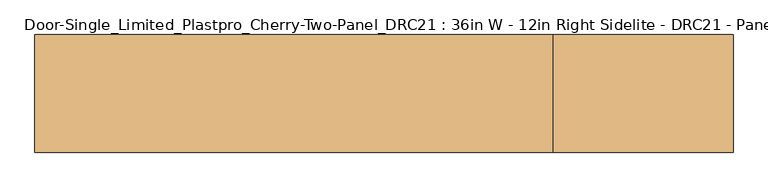
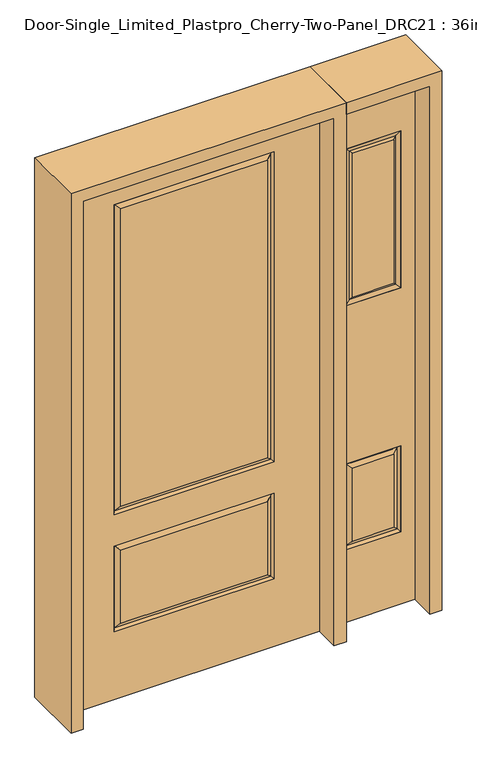
"""IFC4 building model written with IfcOpenShell, lengths in millimetres: door geometry, Door-Single_Limited_Plastpro_Cherry-Two-Panel_DRC21 : 36in W - 12in Right Sidelite - DRC21 - Panel - 80in."""

import ifcopenshell
import ifcopenshell.guid

model = None  # the IFC model being written
_history = None  # IfcOwnerHistory: only IFC2X3 demands one
_inside = {}  # id of a spatial element -> (the spatial element, [elements in it])
_under = {}  # id of a project, library or spatial element -> (it, [spatial elements below it])
_declared = {}  # id of a project -> (the project, [libraries it declares])
_typed = {}  # id of a type object -> (the type object, [elements of that type])
_made_of = {}  # id of a material, layer set ... -> (it, [elements and type objects made of it])


def new_model(schema):
    """Start an empty IFC model of exactly this schema.

    Asked for "IFC4X3", IfcOpenShell would pick the latest addendum, in which some entities
    have other attributes; the version numbers below select the first issue.
    IFC2X3 requires an IfcOwnerHistory on every rooted entity: one is made here for all.
    """
    global model, _history
    if schema == "IFC4X3":
        model = ifcopenshell.file(schema_version=(4, 3, 0, 0))
    else:
        model = ifcopenshell.file(schema=schema)
    _inside.clear()
    _under.clear()
    _declared.clear()
    _typed.clear()
    _made_of.clear()
    _history = None
    if model.schema == "IFC2X3":
        org = make("IfcOrganization", Name="unknown")
        user = make(
            "IfcPersonAndOrganization",
            ThePerson=make("IfcPerson", FamilyName="unknown"),
            TheOrganization=org,
        )
        app = make(
            "IfcApplication",
            ApplicationDeveloper=org,
            Version="unknown",
            ApplicationFullName="unknown",
            ApplicationIdentifier="unknown",
        )
        _history = make(
            "IfcOwnerHistory",
            OwningUser=user,
            OwningApplication=app,
            ChangeAction="ADDED",
            CreationDate=0,
        )
    return model


def make(cls, **values):
    """One entity of the class cls with the attributes given. An attribute that is None is left unset."""
    return model.create_entity(
        cls, **{name: value for name, value in values.items() if value is not None}
    )


def rooted(cls, **values):
    """An entity with a GlobalId (a new one), such as an element, a storey or a relation."""
    return make(cls, GlobalId=ifcopenshell.guid.new(), OwnerHistory=_history, **values)


def si_unit(unit_type, name, prefix=None):
    """IfcSIUnit, for example si_unit("LENGTHUNIT", "METRE", prefix="MILLI")."""
    return make("IfcSIUnit", UnitType=unit_type, Prefix=prefix, Name=name)


def assignment(units):
    """IfcUnitAssignment: the units of a project."""
    return None if units is None else make("IfcUnitAssignment", Units=units)


def point(xyz):
    """IfcCartesianPoint."""
    return None if xyz is None else make("IfcCartesianPoint", Coordinates=xyz)


def direction(xyz):
    """IfcDirection."""
    return None if xyz is None else make("IfcDirection", DirectionRatios=xyz)


def frame(location, z_axis=None, x_axis=None):
    """IfcAxis2Placement3D, a coordinate frame: its origin and axes. An axis left out is left unset."""
    return make(
        "IfcAxis2Placement3D",
        Location=point(location),
        Axis=direction(z_axis),
        RefDirection=direction(x_axis),
    )


def origin():
    """The frame at (0, 0, 0) with its axes left unset."""
    return frame((0.0, 0.0, 0.0))


def place(relative_to, where):
    """IfcLocalPlacement: puts the frame where relative to a parent placement (None: the world)."""
    return make(
        "IfcLocalPlacement", PlacementRelTo=relative_to, RelativePlacement=where
    )


def context(
    kind, dimensions, precision=None, world=None, true_north=None, identifier=None
):
    """IfcGeometricRepresentationContext, for example the 3D "Model" context."""
    return make(
        "IfcGeometricRepresentationContext",
        ContextIdentifier=identifier,
        ContextType=kind,
        CoordinateSpaceDimension=dimensions,
        Precision=precision,
        WorldCoordinateSystem=world,
        TrueNorth=true_north,
    )


def project(units=None, contexts=None):
    """IfcProject with its units and contexts."""
    return rooted(
        "IfcProject",
        Name="project",
        RepresentationContexts=contexts,
        UnitsInContext=assignment(units),
    )


def spatial(cls, under=None, at=None, **own):
    """A site, building, storey or space (cls), placed at a placement, below another one or the project."""
    s = rooted(cls, ObjectPlacement=at, **own)
    if under is not None:
        _under.setdefault(under.id(), (under, []))[1].append(s)
    return s


def polyline(points):
    """IfcPolyline through the points."""
    return make("IfcPolyline", Points=[point(p) for p in points])


def outline(outer, holes=None, kind="AREA"):
    """IfcArbitraryClosedProfileDef: a profile drawn as a closed curve; with holes, ...WithVoids."""
    if holes is None:
        return make("IfcArbitraryClosedProfileDef", ProfileType=kind, OuterCurve=outer)
    return make(
        "IfcArbitraryProfileDefWithVoids",
        ProfileType=kind,
        OuterCurve=outer,
        InnerCurves=holes,
    )


def extrude(swept, where, along, depth):
    """IfcExtrudedAreaSolid: the profile swept, set in the frame where, extruded along a direction by depth."""
    return make(
        "IfcExtrudedAreaSolid",
        SweptArea=swept,
        Position=where,
        ExtrudedDirection=direction(along),
        Depth=depth,
    )


def faces_of(points, faces, orient=None, outer=None):
    """IfcFace entities. A face is a list of loops; a loop is a list of indices into points, from 0.

    orient and outer hold one flag for each loop. By default every Orientation is true, the
    first loop of a face is its IfcFaceOuterBound and the others are IfcFaceBound.
    """
    made = []
    for i, loops in enumerate(faces):
        bounds = []
        for j, loop in enumerate(loops):
            is_outer = j == 0 if outer is None else outer[i][j]
            bounds.append(
                make(
                    "IfcFaceOuterBound" if is_outer else "IfcFaceBound",
                    Bound=make("IfcPolyLoop", Polygon=[points[k] for k in loop]),
                    Orientation=True if orient is None else orient[i][j],
                )
            )
        made.append(make("IfcFace", Bounds=bounds))
    return made


def faceted_brep(points, faces, orient=None, outer=None, voids=None):
    """IfcFacetedBrep: a solid bounded by flat faces; with voids (closed shells), ...WithVoids."""
    shared = [point(p) for p in points]
    hull = make("IfcClosedShell", CfsFaces=faces_of(shared, faces, orient, outer))
    if voids is None:
        return make("IfcFacetedBrep", Outer=hull)
    return make(
        "IfcFacetedBrepWithVoids",
        Outer=hull,
        Voids=[
            make(cls, CfsFaces=faces_of(shared, fs, o, b)) for cls, fs, o, b in voids
        ],
    )


def shape(context_of_items, identifier, shape_type, items):
    """IfcShapeRepresentation: the items that make up one representation, for example the "Body"."""
    return make(
        "IfcShapeRepresentation",
        ContextOfItems=context_of_items,
        RepresentationIdentifier=identifier,
        RepresentationType=shape_type,
        Items=items,
    )


def source(mapping_origin, context_of_items, identifier, shape_type, items):
    """IfcRepresentationMap: a shape defined once, which mapped items show again and again."""
    return make(
        "IfcRepresentationMap",
        MappingOrigin=mapping_origin,
        MappedRepresentation=shape(context_of_items, identifier, shape_type, items),
    )


def transform(
    local_origin,
    x_axis=None,
    y_axis=None,
    z_axis=None,
    scale=None,
    scale2=None,
    scale3=None,
    uniform=True,
):
    """IfcCartesianTransformationOperator3D, or its non-uniform kind. x_axis, y_axis, z_axis: its Axis1, 2, 3."""
    if uniform:
        return make(
            "IfcCartesianTransformationOperator3D",
            Axis1=direction(x_axis),
            Axis2=direction(y_axis),
            LocalOrigin=point(local_origin),
            Scale=scale,
            Axis3=direction(z_axis),
        )
    return make(
        "IfcCartesianTransformationOperator3DnonUniform",
        Axis1=direction(x_axis),
        Axis2=direction(y_axis),
        LocalOrigin=point(local_origin),
        Scale=scale,
        Axis3=direction(z_axis),
        Scale2=scale2,
        Scale3=scale3,
    )


def mapped(mapping_source, mapping_target):
    """IfcMappedItem: shows the shape of a source again, moved by a transform."""
    return make(
        "IfcMappedItem", MappingSource=mapping_source, MappingTarget=mapping_target
    )


def made_of(thing, what):
    """Note that an element or type object is made of a material, layer set ...; save() writes the relation."""
    if what is not None:
        _made_of.setdefault(what.id(), (what, []))[1].append(thing)
    return thing


def element(
    cls,
    number,
    at=None,
    inside=None,
    cuts=None,
    type_object=None,
    material=None,
    context=None,
    identifier="Body",
    shape_type=None,
    held_by="IfcProductDefinitionShape",
    body=None,
    shapes=None,
    **own,
):
    """One element of the class cls, such as IfcWall. Its Tag is "e" and its number.

    at: its placement. inside: the storey or other place that contains it. cuts: it is an
    opening in that element (IfcRelVoidsElement). A single representation is given by context,
    identifier, shape_type and body (its items); several are given by shapes. held_by: the class
    of the entity that holds the representations. save() writes the other relations.
    """
    e = rooted(cls, Tag="e%d" % number, ObjectPlacement=at, **own)
    if body is not None:
        shapes = [shape(context, identifier, shape_type, body)]
    if shapes is not None:
        e.Representation = make(held_by, Representations=shapes)
    if inside is not None:
        _inside.setdefault(inside.id(), (inside, []))[1].append(e)
    if cuts is not None:
        rooted(
            "IfcRelVoidsElement", RelatingBuildingElement=cuts, RelatedOpeningElement=e
        )
    if type_object is not None:
        _typed.setdefault(type_object.id(), (type_object, []))[1].append(e)
    return made_of(e, material)


def aggregate(whole, parts):
    """IfcRelAggregates: a whole, such as a stair, and the parts it consists of."""
    return rooted("IfcRelAggregates", RelatingObject=whole, RelatedObjects=parts)


def save(model, path):
    """Write the relations noted so far, then the file.

    IfcRelAggregates (storeys below a building ...), IfcRelContainedInSpatialStructure (elements
    in a storey), IfcRelDefinesByType, IfcRelAssociatesMaterial and IfcRelDeclares: one each for
    every whole, place, type object, material and project.
    """
    for whole, parts in _under.values():
        aggregate(whole, parts)
    for where, things in _inside.values():
        rooted(
            "IfcRelContainedInSpatialStructure",
            RelatedElements=things,
            RelatingStructure=where,
        )
    for kind, things in _typed.values():
        rooted("IfcRelDefinesByType", RelatedObjects=things, RelatingType=kind)
    for what, things in _made_of.values():
        rooted("IfcRelAssociatesMaterial", RelatedObjects=things, RelatingMaterial=what)
    for by, libraries in _declared.values():
        rooted("IfcRelDeclares", RelatingContext=by, RelatedDefinitions=libraries)
    model.write(path)


def door_single_limited_plastpro_cherry_two_panel_drc21_36in_w_18066b6c(model_context):
    return source(origin(), model_context, "Body", "SolidModel", [
        faceted_brep([(457.2, 22.225, 0.0), (457.2, -22.225, 0.0), (-457.2, -22.225, 0.0), (-457.2, 22.225, 0.0), (457.2, 22.225, 2032.0), (457.2, -22.225, 2032.0), (-267.49375, -22.225, 284.95625), (267.49375, -22.225, 284.95625), (267.49375, -22.225, 565.94375), (-267.49375, -22.225, 565.94375), (-267.49375, -22.225, 735.80625), (267.49375, -22.225, 735.80625), (267.49375, -22.225, 1880.39375), (-267.49375, -22.225, 1880.39375), (-457.2, -22.225, 2032.0), (292.1, -22.225, 711.2), (-292.1, -22.225, 711.2), (-292.1, -22.225, 1905.0), (292.1, -22.225, 1905.0), (292.1, -22.225, 260.35), (-292.1, -22.225, 260.35), (-292.1, -22.225, 590.55), (292.1, -22.225, 590.55), (-457.2, 22.225, 2032.0), (267.49375, 22.225, 284.95625), (-267.49375, 22.225, 284.95625), (-267.49375, 22.225, 565.94375), (267.49375, 22.225, 565.94375), (267.49375, 22.225, 735.80625), (-267.49375, 22.225, 735.80625), (-267.49375, 22.225, 1880.39375), (267.49375, 22.225, 1880.39375), (-292.1, 22.225, 711.2), (292.1, 22.225, 711.2), (292.1, 22.225, 1905.0), (-292.1, 22.225, 1905.0), (-292.1, 22.225, 260.35), (292.1, 22.225, 260.35), (292.1, 22.225, 590.55), (-292.1, 22.225, 590.55), (-284.9911499, 12.7912373, 267.4588501), (284.9911499, 12.7912373, 267.4588501), (284.9911499, 12.7912373, 583.4411499), (-284.9911499, 12.7912373, 583.4411499), (-284.9911499, 12.7912373, 718.3088501), (284.9911499, 12.7912373, 718.3088501), (284.9911499, 12.7912373, 1897.8911499), (-284.9911499, 12.7912373, 1897.8911499), (284.9911499, -12.7912373, 267.4588501), (-284.9911499, -12.7912373, 267.4588501), (-284.9911499, -12.7912373, 583.4411499), (284.9911499, -12.7912373, 583.4411499), (284.9911499, -12.7912373, 718.3088501), (-284.9911499, -12.7912373, 718.3088501), (-284.9911499, -12.7912373, 1897.8911499), (284.9911499, -12.7912373, 1897.8911499)], [[[0, 1, 2, 3]], [[4, 5, 1, 0]], [[6, 7, 8, 9]], [[10, 11, 12, 13]], [[5, 14, 2, 1], [15, 16, 17, 18], [19, 20, 21, 22]], [[14, 23, 3, 2]], [[24, 25, 26, 27]], [[28, 29, 30, 31]], [[23, 4, 0, 3], [32, 33, 34, 35], [36, 37, 38, 39]], [[36, 40, 41, 37]], [[37, 41, 42, 38]], [[43, 39, 38, 42]], [[40, 36, 39, 43]], [[41, 40, 25, 24]], [[25, 40, 43, 26]], [[26, 43, 42, 27]], [[41, 24, 27, 42]], [[32, 44, 45, 33]], [[33, 45, 46, 34]], [[44, 32, 35, 47]], [[45, 44, 29, 28]], [[29, 44, 47, 30]], [[45, 28, 31, 46]], [[48, 49, 20, 19]], [[20, 49, 50, 21]], [[21, 50, 51, 22]], [[48, 19, 22, 51]], [[49, 48, 7, 6]], [[7, 48, 51, 8]], [[50, 9, 8, 51]], [[49, 6, 9, 50]], [[52, 53, 16, 15]], [[16, 53, 54, 17]], [[52, 15, 18, 55]], [[53, 52, 11, 10]], [[11, 52, 55, 12]], [[53, 10, 13, 54]], [[4, 23, 14, 5]], [[17, 54, 55, 18]], [[54, 13, 12, 55]], [[47, 35, 34, 46]], [[30, 47, 46, 31]]]),
        faceted_brep([(553.72, 20.6375, 1822.45), (553.72, 20.6375, 1219.2), (553.72, -20.6375, 1219.2), (553.72, -20.6375, 1822.45), (579.12, -12.7, 1244.6), (579.12, -12.7, 1797.05), (754.38, 20.6375, 1219.2), (754.38, -20.6375, 1219.2), (579.12, 12.7, 1797.05), (579.12, 12.7, 1244.6), (728.98, 12.7, 1244.6), (728.98, -12.7, 1244.6), (754.38, 20.6375, 1822.45), (754.38, -20.6375, 1822.45), (728.98, 12.7, 1797.05), (728.98, -12.7, 1797.05)], [[[0, 1, 2, 3]], [[3, 2, 4, 5]], [[1, 6, 7, 2]], [[8, 9, 1, 0]], [[9, 10, 6, 1]], [[5, 4, 9, 8]], [[4, 11, 10, 9]], [[2, 7, 11, 4]], [[6, 12, 13, 7]], [[10, 14, 12, 6]], [[11, 15, 14, 10]], [[7, 13, 15, 11]], [[12, 0, 3, 13]], [[14, 8, 0, 12]], [[15, 5, 8, 14]], [[13, 3, 5, 15]]]),
        extrude(outline(polyline([(579.12, -12.7), (579.12, 12.7), (728.98, 12.7), (728.98, -12.7), (579.12, -12.7)])), frame((0.0, 0.0, 1244.6), z_axis=(0.0, 0.0, 1.0), x_axis=(1.0, 0.0, 0.0)), (0.0, 0.0, 1.0), 552.45),
        faceted_brep([(729.77375, -20.6375, 304.00625), (729.77375, -20.6375, 584.99375), (578.32625, -20.6375, 584.99375), (578.32625, -20.6375, 304.00625), (578.32625, 20.6375, 304.00625), (578.32625, 20.6375, 584.99375), (729.77375, 20.6375, 584.99375), (729.77375, 20.6375, 304.00625), (553.72, -20.6375, 279.4), (553.72, -20.6375, 609.6), (553.72, 20.6375, 609.6), (553.72, 20.6375, 279.4), (754.38, 20.6375, 279.4), (754.38, -20.6375, 279.4), (754.38, 20.6375, 609.6), (754.38, -20.6375, 609.6), (560.8288501, 11.2037373, 286.5088501), (747.2711499, 11.2037373, 286.5088501), (747.2711499, 11.2037373, 602.4911499), (560.8288501, 11.2037373, 602.4911499), (560.8288501, -11.2037373, 286.5088501), (747.2711499, -11.2037373, 286.5088501), (747.2711499, -11.2037373, 602.4911499), (560.8288501, -11.2037373, 602.4911499)], [[[0, 1, 2, 3]], [[4, 5, 6, 7]], [[8, 9, 10, 11]], [[11, 12, 13, 8]], [[12, 14, 15, 13]], [[9, 15, 14, 10]], [[12, 11, 16, 17]], [[16, 4, 7, 17]], [[17, 18, 14, 12]], [[7, 6, 18, 17]], [[18, 19, 10, 14]], [[6, 5, 19, 18]], [[11, 10, 19, 16]], [[16, 19, 5, 4]], [[20, 8, 13, 21]], [[21, 0, 3, 20]], [[13, 15, 22, 21]], [[21, 22, 1, 0]], [[15, 9, 23, 22]], [[22, 23, 2, 1]], [[20, 23, 9, 8]], [[3, 2, 23, 20]]]),
        extrude(outline(polyline([(0.0, 806.45), (2032.0, 806.45), (2032.0, 501.65), (0.0, 501.65), (0.0, 806.45)]), holes=[polyline([(279.4, 553.72), (609.6, 553.72), (609.6, 754.38), (279.4, 754.38), (279.4, 553.72)]), polyline([(1822.45, 553.72), (1822.45, 754.38), (1219.2, 754.38), (1219.2, 553.72), (1822.45, 553.72)])]), frame((0.0, -20.6375, 0.0), z_axis=(0.0, 1.0, 0.0), x_axis=(0.0, 0.0, 1.0)), (0.0, 0.0, 1.0), 41.275),
        faceted_brep([(729.77375, -20.6375, 1243.80625), (729.77375, -20.6375, 1797.84375), (578.32625, -20.6375, 1797.84375), (578.32625, -20.6375, 1243.80625), (747.2711499, -11.2037373, 1226.3088501), (560.8288501, -11.2037373, 1226.3088501), (560.8288501, -11.2037373, 1815.3411499), (747.2711499, -11.2037373, 1815.3411499), (578.32625, 20.6375, 1243.80625), (578.32625, 20.6375, 1797.84375), (729.77375, 20.6375, 1797.84375), (729.77375, 20.6375, 1243.80625), (560.8288501, 11.2037373, 1226.3088501), (747.2711499, 11.2037373, 1226.3088501), (747.2711499, 11.2037373, 1815.3411499), (560.8288501, 11.2037373, 1815.3411499), (553.72, -20.6375, 1219.2), (553.72, -20.6375, 1822.45), (553.72, 20.6375, 1822.45), (553.72, 20.6375, 1219.2), (754.38, 20.6375, 1219.2), (754.38, -20.6375, 1219.2), (754.38, 20.6375, 1822.45), (754.38, -20.6375, 1822.45)], [[[0, 1, 2, 3]], [[4, 0, 3, 5]], [[3, 2, 6, 5]], [[4, 7, 1, 0]], [[8, 9, 10, 11]], [[12, 8, 11, 13]], [[11, 10, 14, 13]], [[12, 15, 9, 8]], [[16, 17, 18, 19]], [[19, 20, 21, 16]], [[19, 18, 15, 12]], [[5, 6, 17, 16]], [[5, 16, 21, 4]], [[20, 22, 23, 21]], [[20, 19, 12, 13]], [[21, 23, 7, 4]], [[13, 14, 22, 20]], [[17, 23, 22, 18]], [[14, 15, 18, 22]], [[10, 9, 15, 14]], [[23, 17, 6, 7]], [[7, 6, 2, 1]]]),
        extrude(outline(polyline([(577.85, -12.7), (577.85, 12.7), (730.25, 12.7), (730.25, -12.7), (577.85, -12.7)])), frame((0.0, 0.0, 292.1), z_axis=(0.0, 0.0, 1.0), x_axis=(1.0, 0.0, 0.0)), (0.0, 0.0, 1.0), 1600.2),
        extrude(outline(polyline([(2076.45, -501.65), (0.0, -501.65), (0.0, -457.2), (2032.0, -457.2), (2032.0, 457.2), (0.0, 457.2), (0.0, 501.65), (2076.45, 501.65), (2076.45, -501.65)])), frame((0.0, -114.3, 0.0), z_axis=(0.0, 1.0, 0.0), x_axis=(0.0, 0.0, 1.0)), (0.0, 0.0, 1.0), 228.6),
        extrude(outline(polyline([(0.0, 806.45), (0.0, 850.9), (2076.45, 850.9), (2076.45, 501.65), (2032.0, 501.65), (2032.0, 806.45), (0.0, 806.45)])), frame((0.0, -114.3, 0.0), z_axis=(0.0, 1.0, 0.0), x_axis=(0.0, 0.0, 1.0)), (0.0, 0.0, 1.0), 228.6),
    ])


if __name__ == "__main__":
    model = new_model("IFC4")
    model_context = context("Model", 3, world=origin())
    ifc_project = project(units=[si_unit("LENGTHUNIT", "METRE", prefix="MILLI")], contexts=[model_context])
    site = spatial("IfcSite", under=ifc_project)
    building = spatial("IfcBuilding", under=site)
    placement = place(None, origin())
    door_single_limited_plastpro_cherry_two_panel_drc21_36in_w_shape = door_single_limited_plastpro_cherry_two_panel_drc21_36in_w_18066b6c(model_context)
    element("IfcDoor", 1, ObjectType="Door-Single_Limited_Plastpro_Cherry-Two-Panel_DRC21 : 36in W - 12in Right Sidelite - DRC21 - Panel - 80in", at=placement, inside=building, context=model_context, shape_type="MappedRepresentation", body=[
        mapped(door_single_limited_plastpro_cherry_two_panel_drc21_36in_w_shape, transform((0.0, 0.0, 0.0), x_axis=(1.0, 0.0, 0.0), y_axis=(0.0, 1.0, 0.0), z_axis=(0.0, 0.0, 1.0))),
    ])
    save(model, "model.ifc")
